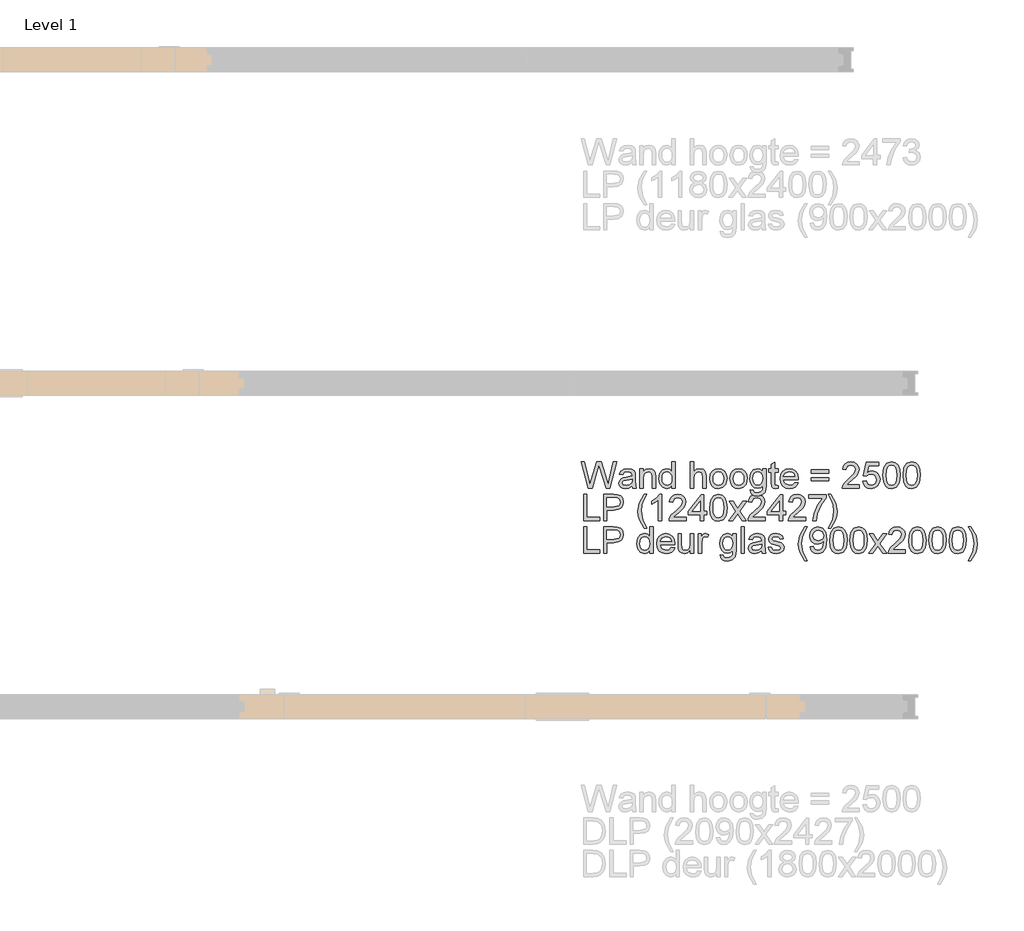
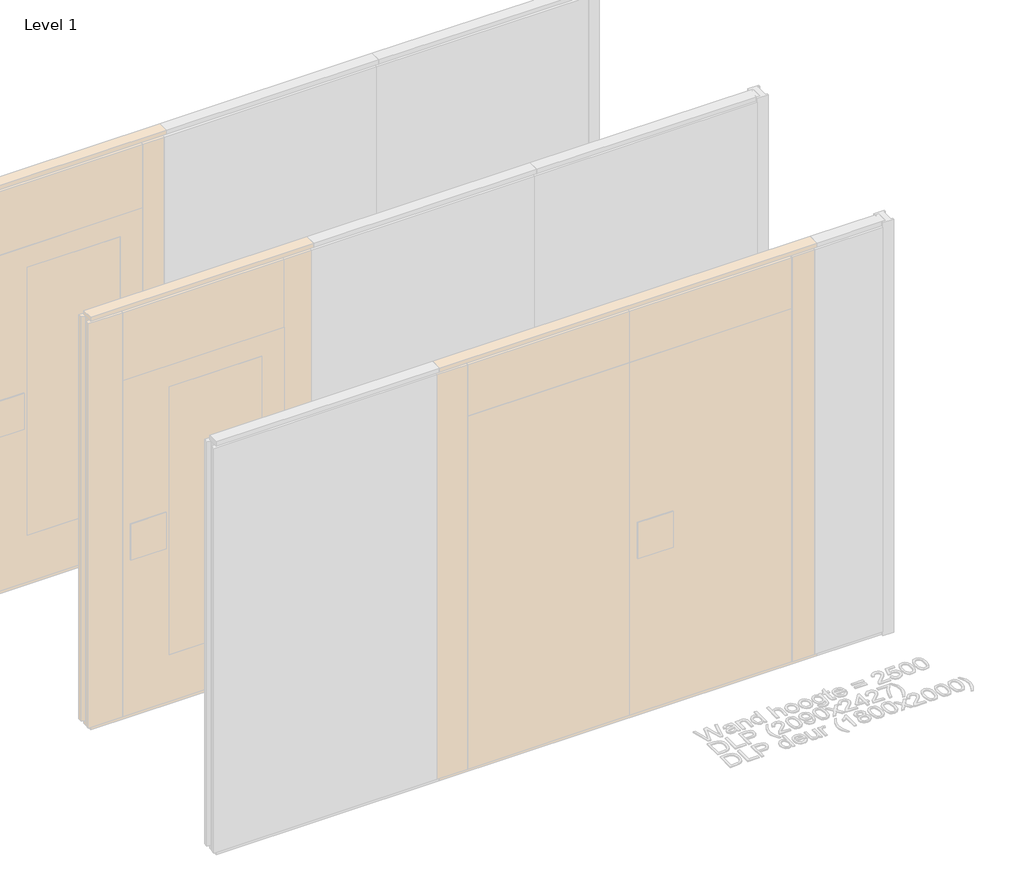
# One storey, part 12 of 17: 1 proxy.
"""IFC4 building model written with IfcOpenShell, lengths in millimetres."""

import ifcopenshell
import ifcopenshell.guid

model = None  # the IFC model being written
_history = None  # IfcOwnerHistory: only IFC2X3 demands one
_inside = {}  # id of a spatial element -> (the spatial element, [elements in it])
_under = {}  # id of a project, library or spatial element -> (it, [spatial elements below it])
_declared = {}  # id of a project -> (the project, [libraries it declares])
_typed = {}  # id of a type object -> (the type object, [elements of that type])
_made_of = {}  # id of a material, layer set ... -> (it, [elements and type objects made of it])


def new_model(schema):
    """Start an empty IFC model of exactly this schema.

    Asked for "IFC4X3", IfcOpenShell would pick the latest addendum, in which some entities
    have other attributes; the version numbers below select the first issue.
    IFC2X3 requires an IfcOwnerHistory on every rooted entity: one is made here for all.
    """
    global model, _history
    if schema == "IFC4X3":
        model = ifcopenshell.file(schema_version=(4, 3, 0, 0))
    else:
        model = ifcopenshell.file(schema=schema)
    _inside.clear()
    _under.clear()
    _declared.clear()
    _typed.clear()
    _made_of.clear()
    _history = None
    if model.schema == "IFC2X3":
        org = make("IfcOrganization", Name="unknown")
        user = make(
            "IfcPersonAndOrganization",
            ThePerson=make("IfcPerson", FamilyName="unknown"),
            TheOrganization=org,
        )
        app = make(
            "IfcApplication",
            ApplicationDeveloper=org,
            Version="unknown",
            ApplicationFullName="unknown",
            ApplicationIdentifier="unknown",
        )
        _history = make(
            "IfcOwnerHistory",
            OwningUser=user,
            OwningApplication=app,
            ChangeAction="ADDED",
            CreationDate=0,
        )
    return model


def make(cls, **values):
    """One entity of the class cls with the attributes given. An attribute that is None is left unset."""
    return model.create_entity(
        cls, **{name: value for name, value in values.items() if value is not None}
    )


def rooted(cls, **values):
    """An entity with a GlobalId (a new one), such as an element, a storey or a relation."""
    return make(cls, GlobalId=ifcopenshell.guid.new(), OwnerHistory=_history, **values)


def si_unit(unit_type, name, prefix=None):
    """IfcSIUnit, for example si_unit("LENGTHUNIT", "METRE", prefix="MILLI")."""
    return make("IfcSIUnit", UnitType=unit_type, Prefix=prefix, Name=name)


def assignment(units):
    """IfcUnitAssignment: the units of a project."""
    return None if units is None else make("IfcUnitAssignment", Units=units)


def point(xyz):
    """IfcCartesianPoint."""
    return None if xyz is None else make("IfcCartesianPoint", Coordinates=xyz)


def direction(xyz):
    """IfcDirection."""
    return None if xyz is None else make("IfcDirection", DirectionRatios=xyz)


def frame(location, z_axis=None, x_axis=None):
    """IfcAxis2Placement3D, a coordinate frame: its origin and axes. An axis left out is left unset."""
    return make(
        "IfcAxis2Placement3D",
        Location=point(location),
        Axis=direction(z_axis),
        RefDirection=direction(x_axis),
    )


def origin():
    """The frame at (0, 0, 0) with its axes left unset."""
    return frame((0.0, 0.0, 0.0))


def origin_with_axes():
    """The frame at (0, 0, 0) with the z axis (0, 0, 1) and the x axis (1, 0, 0) written out."""
    return frame((0.0, 0.0, 0.0), z_axis=(0.0, 0.0, 1.0), x_axis=(1.0, 0.0, 0.0))


def place(relative_to, where):
    """IfcLocalPlacement: puts the frame where relative to a parent placement (None: the world)."""
    return make(
        "IfcLocalPlacement", PlacementRelTo=relative_to, RelativePlacement=where
    )


def context(
    kind, dimensions, precision=None, world=None, true_north=None, identifier=None
):
    """IfcGeometricRepresentationContext, for example the 3D "Model" context."""
    return make(
        "IfcGeometricRepresentationContext",
        ContextIdentifier=identifier,
        ContextType=kind,
        CoordinateSpaceDimension=dimensions,
        Precision=precision,
        WorldCoordinateSystem=world,
        TrueNorth=true_north,
    )


def project(units=None, contexts=None):
    """IfcProject with its units and contexts."""
    return rooted(
        "IfcProject",
        Name="project",
        RepresentationContexts=contexts,
        UnitsInContext=assignment(units),
    )


def spatial(cls, under=None, at=None, **own):
    """A site, building, storey or space (cls), placed at a placement, below another one or the project."""
    s = rooted(cls, ObjectPlacement=at, **own)
    if under is not None:
        _under.setdefault(under.id(), (under, []))[1].append(s)
    return s


def polyline(points):
    """IfcPolyline through the points."""
    return make("IfcPolyline", Points=[point(p) for p in points])


def outline(outer, holes=None, kind="AREA"):
    """IfcArbitraryClosedProfileDef: a profile drawn as a closed curve; with holes, ...WithVoids."""
    if holes is None:
        return make("IfcArbitraryClosedProfileDef", ProfileType=kind, OuterCurve=outer)
    return make(
        "IfcArbitraryProfileDefWithVoids",
        ProfileType=kind,
        OuterCurve=outer,
        InnerCurves=holes,
    )


def extrude(swept, where, along, depth):
    """IfcExtrudedAreaSolid: the profile swept, set in the frame where, extruded along a direction by depth."""
    return make(
        "IfcExtrudedAreaSolid",
        SweptArea=swept,
        Position=where,
        ExtrudedDirection=direction(along),
        Depth=depth,
    )


def shape(context_of_items, identifier, shape_type, items):
    """IfcShapeRepresentation: the items that make up one representation, for example the "Body"."""
    return make(
        "IfcShapeRepresentation",
        ContextOfItems=context_of_items,
        RepresentationIdentifier=identifier,
        RepresentationType=shape_type,
        Items=items,
    )


def made_of(thing, what):
    """Note that an element or type object is made of a material, layer set ...; save() writes the relation."""
    if what is not None:
        _made_of.setdefault(what.id(), (what, []))[1].append(thing)
    return thing


def element(
    cls,
    number,
    at=None,
    inside=None,
    cuts=None,
    type_object=None,
    material=None,
    context=None,
    identifier="Body",
    shape_type=None,
    held_by="IfcProductDefinitionShape",
    body=None,
    shapes=None,
    **own,
):
    """One element of the class cls, such as IfcWall. Its Tag is "e" and its number.

    at: its placement. inside: the storey or other place that contains it. cuts: it is an
    opening in that element (IfcRelVoidsElement). A single representation is given by context,
    identifier, shape_type and body (its items); several are given by shapes. held_by: the class
    of the entity that holds the representations. save() writes the other relations.
    """
    e = rooted(cls, Tag="e%d" % number, ObjectPlacement=at, **own)
    if body is not None:
        shapes = [shape(context, identifier, shape_type, body)]
    if shapes is not None:
        e.Representation = make(held_by, Representations=shapes)
    if inside is not None:
        _inside.setdefault(inside.id(), (inside, []))[1].append(e)
    if cuts is not None:
        rooted(
            "IfcRelVoidsElement", RelatingBuildingElement=cuts, RelatedOpeningElement=e
        )
    if type_object is not None:
        _typed.setdefault(type_object.id(), (type_object, []))[1].append(e)
    return made_of(e, material)


def aggregate(whole, parts):
    """IfcRelAggregates: a whole, such as a stair, and the parts it consists of."""
    return rooted("IfcRelAggregates", RelatingObject=whole, RelatedObjects=parts)


def save(model, path):
    """Write the relations noted so far, then the file.

    IfcRelAggregates (storeys below a building ...), IfcRelContainedInSpatialStructure (elements
    in a storey), IfcRelDefinesByType, IfcRelAssociatesMaterial and IfcRelDeclares: one each for
    every whole, place, type object, material and project.
    """
    for whole, parts in _under.values():
        aggregate(whole, parts)
    for where, things in _inside.values():
        rooted(
            "IfcRelContainedInSpatialStructure",
            RelatedElements=things,
            RelatingStructure=where,
        )
    for kind, things in _typed.values():
        rooted("IfcRelDefinesByType", RelatedObjects=things, RelatingType=kind)
    for what, things in _made_of.values():
        rooted("IfcRelAssociatesMaterial", RelatedObjects=things, RelatingMaterial=what)
    for by, libraries in _declared.values():
        rooted("IfcRelDeclares", RelatingContext=by, RelatedDefinitions=libraries)
    model.write(path)


model = new_model("IFC4")

# Units and contexts
model_context = context("Model", 3, world=origin())
ifc_project = project(units=[si_unit("LENGTHUNIT", "METRE", prefix="MILLI")], contexts=[model_context])

# Site, building, storey
site = spatial("IfcSite", under=ifc_project)
building = spatial("IfcBuilding", under=site)
storey = spatial("IfcBuildingStorey", under=building, Name="Level 1", Elevation=0.0)

# Proxy
placement = place(None, origin())
element("IfcBuildingElementProxy", 1, Name="100 mm", ObjectType="100 mm", at=placement, inside=storey, context=model_context, shape_type="SweptSolid", body=[
    extrude(outline(polyline([(-2181.5016279, 492.9102169), (-2208.3525894, 591.3717554), (-2195.6602817, 591.3717554), (-2180.0833587, 526.6602169), (-2175.2756664, 506.6842554), (-2170.1314356, 524.3525246), (-2150.6122048, 591.3717554), (-2132.3189356, 591.3717554), (-2118.1362433, 542.7900246), (-2107.5833587, 506.6842554), (-2102.9198971, 526.0832938), (-2087.1987433, 591.3717554), (-2074.5064356, 591.3717554), (-2101.3814356, 492.9102169), (-2114.530474, 492.9102169), (-2138.1362433, 568.8717554), (-2141.4295125, 579.4727169), (-2145.1314356, 566.7082938), (-2166.6458587, 492.9102169), (-2181.5016279, 492.9102169)])), origin_with_axes(), (0.0, 0.0, 1.0), 5.0),
    extrude(outline(polyline([(-2017.5833587, 502.1409861), (-2029.5184548, 493.79964), (-2042.703551, 491.3717554), (-2052.9890077, 492.8320919), (-2060.5761471, 497.2131015), (-2065.2546327, 503.8657457), (-2066.8141279, 512.1409861), (-2064.4583587, 521.8765631), (-2058.2684548, 528.9438707), (-2049.6506664, 532.9823323), (-2039.0016279, 534.8332938), (-2017.655474, 539.0640631), (-2017.5833587, 541.8044477), (-2020.9727817, 550.8909861), (-2034.578551, 554.4486784), (-2047.030474, 552.08089), (-2052.967974, 543.6794477), (-2065.2756664, 545.2179092), (-2059.9511471, 557.23714), (-2049.2299933, 564.2804092), (-2032.9920125, 566.7563707), (-2018.0761471, 564.5688707), (-2009.6506664, 559.0760823), (-2005.8766279, 550.7227169), (-2005.2756664, 539.9534861), (-2005.2756664, 524.6409861), (-2004.6506664, 503.2587746), (-2002.1987433, 492.9102169), (-2014.5064356, 492.9102169), (-2017.5833587, 502.1409861)]), holes=[polyline([(-2017.5833587, 526.7563707), (-2037.4391279, 522.9823323), (-2048.0280702, 520.98714), (-2052.8237433, 517.7419477), (-2054.5064356, 513.0063707), (-2050.8405702, 506.3477169), (-2040.0833587, 503.6794477), (-2027.6314356, 506.6241592), (-2019.6025894, 513.7515631), (-2017.655474, 523.2707938), (-2017.5833587, 526.7563707)])]), origin_with_axes(), (0.0, 0.0, 1.0), 5.0),
    extrude(outline(polyline([(-1988.3525894, 492.9102169), (-1988.3525894, 565.2179092), (-1976.0448971, 565.2179092), (-1976.0448971, 555.1217554), (-1966.6338394, 563.8477169), (-1953.7852817, 566.7563707), (-1942.1626856, 564.4126207), (-1934.2299933, 558.2587746), (-1930.5400894, 549.2082938), (-1929.891051, 537.3092554), (-1929.891051, 492.9102169), (-1942.1987433, 492.9102169), (-1942.1987433, 535.6506015), (-1943.6170125, 546.5400246), (-1948.6290317, 552.2972361), (-1957.078551, 554.4486784), (-1970.4319164, 549.6169477), (-1974.6416519, 542.6157457), (-1976.0448971, 531.2756015), (-1976.0448971, 492.9102169), (-1988.3525894, 492.9102169)])), origin_with_axes(), (0.0, 0.0, 1.0), 5.0),
    extrude(outline(polyline([(-1868.3525894, 492.9102169), (-1868.3525894, 504.5207938), (-1876.4956183, 494.659015), (-1887.7516279, 491.3717554), (-1902.9920125, 496.1313707), (-1913.7612433, 509.4126207), (-1917.5833587, 528.9919477), (-1914.061724, 548.5832938), (-1903.5088394, 562.0688707), (-1887.7997048, 566.7563707), (-1876.453551, 563.4030054), (-1868.3525894, 554.6890631), (-1868.3525894, 591.3717554), (-1856.0448971, 591.3717554), (-1856.0448971, 492.9102169), (-1868.3525894, 492.9102169)]), holes=[polyline([(-1905.2756664, 529.0400246), (-1903.8874452, 517.9072121), (-1899.7227817, 509.9895438), (-1893.671099, 505.2569717), (-1886.6218202, 503.6794477), (-1879.5755462, 505.1848563), (-1873.6771087, 509.7010823), (-1869.6837192, 517.3122602), (-1868.3525894, 528.1025246), (-1869.7077577, 539.8993996), (-1873.7732625, 548.0784861), (-1879.8219404, 552.8561304), (-1887.1266279, 554.4486784), (-1894.2480221, 552.9192313), (-1900.0833587, 548.33089), (-1903.9775894, 540.4492794), (-1905.2756664, 529.0400246)])]), origin_with_axes(), (0.0, 0.0, 1.0), 5.0),
    extrude(outline(polyline([(-1799.1218202, 492.9102169), (-1799.1218202, 591.3717554), (-1786.8141279, 591.3717554), (-1786.8141279, 555.1698323), (-1777.2167721, 563.8597361), (-1765.3958587, 566.7563707), (-1751.5737433, 563.5953131), (-1743.1843202, 554.8573323), (-1740.6602817, 538.6794477), (-1740.6602817, 492.9102169), (-1752.967974, 492.9102169), (-1752.967974, 537.4054092), (-1756.8862433, 550.3861784), (-1767.9920125, 554.4486784), (-1778.0761471, 551.7082938), (-1784.8069164, 544.2804092), (-1786.8141279, 531.3236784), (-1786.8141279, 492.9102169), (-1799.1218202, 492.9102169)])), origin_with_axes(), (0.0, 0.0, 1.0), 5.0),
    extrude(outline(polyline([(-1726.8141279, 529.0640631), (-1724.1518683, 546.4979573), (-1716.1650894, 558.7515631), (-1706.297301, 564.7551688), (-1694.4823971, 566.7563707), (-1681.5527096, 564.3194717), (-1671.2251856, 557.0087746), (-1664.4553539, 545.4012025), (-1662.1987433, 530.0736784), (-1666.1891279, 508.17464), (-1677.811724, 495.7828131), (-1694.4823971, 491.3717554), (-1707.5683346, 493.79964), (-1717.8838394, 501.0832938), (-1724.5815558, 512.9342554), (-1726.8141279, 529.0640631)]), holes=[polyline([(-1714.5064356, 529.0881015), (-1713.0821567, 517.9492794), (-1708.8093202, 510.0135823), (-1702.3790317, 505.2629813), (-1694.4823971, 503.6794477), (-1686.6218202, 505.2719957), (-1680.203551, 510.04964), (-1675.9307144, 518.0905054), (-1674.5064356, 529.4727169), (-1675.9397289, 540.2870198), (-1680.2396087, 548.1145438), (-1686.6668923, 552.8651448), (-1694.4823971, 554.4486784), (-1702.3790317, 552.8711544), (-1708.8093202, 548.1385823), (-1713.0821567, 540.220914), (-1714.5064356, 529.0881015)])]), origin_with_axes(), (0.0, 0.0, 1.0), 5.0),
    extrude(outline(polyline([(-1651.4295125, 529.0640631), (-1648.7672529, 546.4979573), (-1640.780474, 558.7515631), (-1630.9126856, 564.7551688), (-1619.0977817, 566.7563707), (-1606.1680942, 564.3194717), (-1595.8405702, 557.0087746), (-1589.0707385, 545.4012025), (-1586.8141279, 530.0736784), (-1590.8045125, 508.17464), (-1602.4271087, 495.7828131), (-1619.0977817, 491.3717554), (-1632.1837192, 493.79964), (-1642.499224, 501.0832938), (-1649.1969404, 512.9342554), (-1651.4295125, 529.0640631)]), holes=[polyline([(-1639.1218202, 529.0881015), (-1637.6975414, 517.9492794), (-1633.4247048, 510.0135823), (-1626.9944164, 505.2629813), (-1619.0977817, 503.6794477), (-1611.2372048, 505.2719957), (-1604.8189356, 510.04964), (-1600.546099, 518.0905054), (-1599.1218202, 529.4727169), (-1600.5551135, 540.2870198), (-1604.8549933, 548.1145438), (-1611.2822769, 552.8651448), (-1619.0977817, 554.4486784), (-1626.9944164, 552.8711544), (-1633.4247048, 548.1385823), (-1637.6975414, 540.220914), (-1639.1218202, 529.0881015)])]), origin_with_axes(), (0.0, 0.0, 1.0), 5.0),
    extrude(outline(polyline([(-1576.0448971, 486.7563707), (-1563.7372048, 485.2179092), (-1559.7468202, 478.7275246), (-1547.7997048, 475.98714), (-1535.203551, 479.0881015), (-1529.1939356, 487.7900246), (-1528.3525894, 502.1409861), (-1537.0184548, 495.2179092), (-1547.5833587, 492.9102169), (-1560.2726615, 495.596515), (-1569.734801, 503.6554092), (-1575.6212192, 515.4703131), (-1577.5833587, 529.42464), (-1574.061724, 548.4991592), (-1563.8694164, 561.9967554), (-1548.1843202, 566.7563707), (-1537.2047529, 564.0640631), (-1528.3525894, 555.98714), (-1528.3525894, 565.2179092), (-1516.0448971, 565.2179092), (-1516.0448971, 502.7900246), (-1519.4102817, 478.8837746), (-1530.0713394, 467.7659861), (-1548.0400894, 463.6794477), (-1559.4914115, 465.1187506), (-1568.5088394, 469.4366592), (-1574.2930942, 476.6451929), (-1576.0448971, 486.7563707)]), holes=[polyline([(-1565.2756664, 530.2659861), (-1563.9625654, 518.9769236), (-1560.0232625, 511.2155054), (-1554.1007865, 506.7173082), (-1546.8381664, 505.2179092), (-1539.6296327, 506.7082938), (-1533.6771087, 511.1794477), (-1529.6837192, 518.8417073), (-1528.3525894, 529.9054092), (-1529.7227817, 540.5754813), (-1533.8333587, 548.2587746), (-1539.8730221, 552.9012025), (-1547.030474, 554.4486784), (-1554.0587192, 552.9252409), (-1559.9511471, 548.3549284), (-1563.9445365, 540.7858179), (-1565.2756664, 530.2659861)])]), origin_with_axes(), (0.0, 0.0, 1.0), 5.0),
    extrude(outline(polyline([(-1471.4295125, 503.17464), (-1469.891051, 492.54964), (-1479.0977817, 491.3717554), (-1489.4102817, 493.4150246), (-1494.5545125, 498.7756015), (-1496.0448971, 512.7419477), (-1496.0448971, 552.9102169), (-1505.2756664, 552.9102169), (-1505.2756664, 565.2179092), (-1496.0448971, 565.2179092), (-1496.0448971, 582.7900246), (-1483.7372048, 590.0256015), (-1483.7372048, 565.2179092), (-1471.4295125, 565.2179092), (-1471.4295125, 552.9102169), (-1483.7372048, 552.9102169), (-1483.7372048, 513.1025246), (-1483.0881664, 506.7563707), (-1480.984801, 504.5087746), (-1476.7900894, 503.6794477), (-1471.4295125, 503.17464)])), origin_with_axes(), (0.0, 0.0, 1.0), 5.0),
    extrude(outline(polyline([(-1408.4968202, 514.4486784), (-1396.4295125, 512.9102169), (-1400.7774692, 503.8176688), (-1407.7155702, 497.0207938), (-1417.0875654, 492.784015), (-1428.7372048, 491.3717554), (-1443.1783106, 493.8086544), (-1454.2900894, 501.1193515), (-1461.375426, 512.8290871), (-1463.7372048, 528.4631015), (-1461.3513875, 544.6229573), (-1454.1939356, 556.7082938), (-1443.2323971, 564.2443515), (-1429.4343202, 566.7563707), (-1416.0659308, 564.2503611), (-1405.3838394, 556.7323323), (-1398.3796327, 544.6710342), (-1396.0448971, 528.5352169), (-1396.1170125, 525.2179092), (-1451.4295125, 525.2179092), (-1449.2991039, 516.0051688), (-1444.3501856, 509.2323323), (-1428.4968202, 503.6794477), (-1416.4295125, 506.2515631), (-1408.4968202, 514.4486784)]), holes=[polyline([(-1451.4295125, 537.5256015), (-1408.3525894, 537.5256015), (-1413.280474, 548.6794477), (-1420.4559548, 553.0063707), (-1429.4823971, 554.4486784), (-1444.6386471, 549.8453131), (-1451.4295125, 537.5256015)])]), origin_with_axes(), (0.0, 0.0, 1.0), 5.0),
    extrude(outline(polyline([(-1282.1987433, 549.8332938), (-1346.8141279, 549.8332938), (-1346.8141279, 562.1409861), (-1282.1987433, 562.1409861), (-1282.1987433, 549.8332938)])), origin_with_axes(), (0.0, 0.0, 1.0), 5.0),
    extrude(outline(polyline([(-1282.1987433, 520.6025246), (-1346.8141279, 520.6025246), (-1346.8141279, 532.9102169), (-1282.1987433, 532.9102169), (-1282.1987433, 520.6025246)])), origin_with_axes(), (0.0, 0.0, 1.0), 5.0),
    extrude(outline(polyline([(-1166.8141279, 505.2179092), (-1166.8141279, 492.9102169), (-1231.4295125, 492.9102169), (-1230.1073971, 501.3957938), (-1222.6314356, 514.4606977), (-1207.2227817, 528.7275246), (-1185.9727817, 549.2323323), (-1180.6602817, 563.17464), (-1185.672301, 574.4606977), (-1198.7612433, 579.0640631), (-1212.4030702, 574.5688707), (-1217.5833587, 562.1409861), (-1229.891051, 563.6794477), (-1226.9072769, 575.5844957), (-1220.4559548, 584.2804092), (-1210.8736231, 589.5989188), (-1198.4968202, 591.3717554), (-1186.0298731, 589.4006015), (-1176.4655702, 583.48714), (-1170.3808346, 574.6530054), (-1168.3525894, 563.9198323), (-1170.5400894, 552.2491592), (-1177.811724, 540.1818515), (-1195.4439356, 523.3188707), (-1209.6025894, 511.4799284), (-1215.155474, 505.2179092), (-1166.8141279, 505.2179092)])), origin_with_axes(), (0.0, 0.0, 1.0), 5.0),
    extrude(outline(polyline([(-1154.5064356, 519.0640631), (-1142.1987433, 520.6025246), (-1135.9968202, 507.9222361), (-1123.1362433, 503.6794477), (-1114.3141279, 505.1548082), (-1107.703551, 509.58089), (-1103.5749452, 516.4468756), (-1102.1987433, 525.2419477), (-1107.3549933, 539.8573323), (-1113.8303539, 543.877765), (-1122.9439356, 545.2179092), (-1133.749224, 543.0784861), (-1140.6602817, 537.5256015), (-1152.967974, 539.0640631), (-1142.1987433, 589.8332938), (-1094.5064356, 589.8332938), (-1094.5064356, 577.5256015), (-1132.2468202, 577.5256015), (-1137.5112433, 550.4102169), (-1128.719176, 555.7467554), (-1119.5064356, 557.5256015), (-1108.0070365, 555.3200727), (-1098.4607625, 548.7034861), (-1092.0334789, 538.6193515), (-1089.891051, 526.0111784), (-1091.8201375, 513.7034861), (-1097.6073971, 503.17464), (-1108.6891279, 494.3224765), (-1123.1843202, 491.3717554), (-1135.2726615, 493.267789), (-1144.9030702, 498.95589), (-1151.5046327, 507.7750006), (-1154.5064356, 519.0640631)])), origin_with_axes(), (0.0, 0.0, 1.0), 5.0),
    extrude(outline(polyline([(-1079.1218202, 541.3477169), (-1075.5040317, 569.6770438), (-1064.7588394, 586.0111784), (-1046.8141279, 591.3717554), (-1032.4391279, 588.1986784), (-1022.5112433, 579.0520438), (-1016.7420125, 564.4847361), (-1014.5064356, 541.3477169), (-1018.0881664, 513.1385823), (-1028.797301, 496.76839), (-1046.8141279, 491.3717554), (-1059.6025894, 493.7155054), (-1069.3141279, 500.7467554), (-1076.6698971, 517.3993996), (-1079.1218202, 541.3477169)]), holes=[polyline([(-1066.8141279, 541.3717554), (-1065.3718202, 522.0117794), (-1061.0448971, 510.8068515), (-1054.6025894, 505.4612986), (-1046.8141279, 503.6794477), (-1039.0256664, 505.4673082), (-1032.5833587, 510.83089), (-1028.2564356, 522.0418275), (-1026.8141279, 541.3717554), (-1028.2083587, 560.2960342), (-1032.391051, 571.5881015), (-1038.8213394, 577.1950727), (-1046.9583587, 579.0640631), (-1054.6626856, 577.4174284), (-1060.8525894, 572.4775246), (-1065.3237433, 560.4823323), (-1066.8141279, 541.3717554)])]), origin_with_axes(), (0.0, 0.0, 1.0), 5.0),
    extrude(outline(polyline([(-1003.7372048, 541.3477169), (-1000.1194164, 569.6770438), (-989.374224, 586.0111784), (-971.4295125, 591.3717554), (-957.0545125, 588.1986784), (-947.1266279, 579.0520438), (-941.3573971, 564.4847361), (-939.1218202, 541.3477169), (-942.703551, 513.1385823), (-953.4126856, 496.76839), (-971.4295125, 491.3717554), (-984.217974, 493.7155054), (-993.9295125, 500.7467554), (-1001.2852817, 517.3993996), (-1003.7372048, 541.3477169)]), holes=[polyline([(-991.4295125, 541.3717554), (-989.9872048, 522.0117794), (-985.6602817, 510.8068515), (-979.217974, 505.4612986), (-971.4295125, 503.6794477), (-963.641051, 505.4673082), (-957.1987433, 510.83089), (-952.8718202, 522.0418275), (-951.4295125, 541.3717554), (-952.8237433, 560.2960342), (-957.0064356, 571.5881015), (-963.436724, 577.1950727), (-971.5737433, 579.0640631), (-979.2780702, 577.4174284), (-985.467974, 572.4775246), (-989.9391279, 560.4823323), (-991.4295125, 541.3717554)])]), origin_with_axes(), (0.0, 0.0, 1.0), 5.0),
    extrude(outline(polyline([(-2199.1218202, 371.3717554), (-2199.1218202, 469.8332938), (-2186.8141279, 469.8332938), (-2186.8141279, 383.6794477), (-2137.5833587, 383.6794477), (-2137.5833587, 371.3717554), (-2199.1218202, 371.3717554)])), origin_with_axes(), (0.0, 0.0, 1.0), 5.0),
    extrude(outline(polyline([(-2123.7372048, 371.3717554), (-2123.7372048, 469.8332938), (-2087.2468202, 469.8332938), (-2072.5352817, 468.8957938), (-2060.5761471, 464.2924284), (-2052.8237433, 454.7731977), (-2049.891051, 441.3477169), (-2051.8712192, 429.7431496), (-2057.811724, 420.0736784), (-2068.9204981, 413.5472361), (-2086.405474, 411.3717554), (-2111.4295125, 411.3717554), (-2111.4295125, 371.3717554), (-2123.7372048, 371.3717554)]), holes=[polyline([(-2111.4295125, 423.6794477), (-2085.6843202, 423.6794477), (-2067.5593202, 428.1986784), (-2063.5388875, 433.6373804), (-2062.1987433, 440.9150246), (-2065.359801, 451.1073323), (-2073.6650894, 456.6842554), (-2085.9727817, 457.5256015), (-2111.4295125, 457.5256015), (-2111.4295125, 423.6794477)])]), origin_with_axes(), (0.0, 0.0, 1.0), 5.0),
    extrude(outline(polyline([(-1971.4295125, 343.6794477), (-1988.905474, 372.54964), (-1994.2600414, 389.3885823), (-1996.0448971, 406.8284861), (-1990.7083587, 436.7563707), (-1971.4295125, 469.8332938), (-1962.1987433, 469.8332938), (-1973.7131664, 450.3381015), (-1980.6362433, 431.4438707), (-1983.7372048, 406.7563707), (-1978.3525894, 375.20589), (-1962.1987433, 343.6794477), (-1971.4295125, 343.6794477)])), origin_with_axes(), (0.0, 0.0, 1.0), 5.0),
    extrude(outline(polyline([(-1906.8141279, 371.3717554), (-1919.1218202, 371.3717554), (-1919.1218202, 448.1025246), (-1930.780474, 439.7972361), (-1943.7372048, 433.5832938), (-1943.7372048, 445.2179092), (-1925.6963394, 456.7323323), (-1914.7468202, 469.8332938), (-1906.8141279, 469.8332938), (-1906.8141279, 371.3717554)])), origin_with_axes(), (0.0, 0.0, 1.0), 5.0),
    extrude(outline(polyline([(-1814.5064356, 383.6794477), (-1814.5064356, 371.3717554), (-1879.1218202, 371.3717554), (-1877.7997048, 379.8573323), (-1870.3237433, 392.9222361), (-1854.9150894, 407.1890631), (-1833.6650894, 427.6938707), (-1828.3525894, 441.6361784), (-1833.3646087, 452.9222361), (-1846.453551, 457.5256015), (-1860.0953779, 453.0304092), (-1865.2756664, 440.6025246), (-1877.5833587, 442.1409861), (-1874.5995846, 454.0460342), (-1868.1482625, 462.7419477), (-1858.5659308, 468.0604573), (-1846.1891279, 469.8332938), (-1833.7221808, 467.86214), (-1824.1578779, 461.9486784), (-1818.0731423, 453.1145438), (-1816.0448971, 442.3813707), (-1818.2323971, 430.7106977), (-1825.5040317, 418.64339), (-1843.1362433, 401.7804092), (-1857.2948971, 389.9414669), (-1862.8477817, 383.6794477), (-1814.5064356, 383.6794477)])), origin_with_axes(), (0.0, 0.0, 1.0), 5.0),
    extrude(outline(polyline([(-1762.1987433, 371.3717554), (-1762.1987433, 394.4486784), (-1806.8141279, 394.4486784), (-1806.8141279, 406.7563707), (-1759.1218202, 468.2948323), (-1749.891051, 468.2948323), (-1749.891051, 406.7563707), (-1737.5833587, 406.7563707), (-1737.5833587, 394.4486784), (-1749.891051, 394.4486784), (-1749.891051, 371.3717554), (-1762.1987433, 371.3717554)]), holes=[polyline([(-1762.1987433, 406.7563707), (-1762.1987433, 444.7852169), (-1791.6698971, 406.7563707), (-1762.1987433, 406.7563707)])]), origin_with_axes(), (0.0, 0.0, 1.0), 5.0),
    extrude(outline(polyline([(-1726.8141279, 419.8092554), (-1723.1963394, 448.1385823), (-1712.4511471, 464.4727169), (-1694.5064356, 469.8332938), (-1680.1314356, 466.6602169), (-1670.203551, 457.5135823), (-1664.4343202, 442.9462746), (-1662.1987433, 419.8092554), (-1665.780474, 391.6001207), (-1676.4896087, 375.2299284), (-1694.5064356, 369.8332938), (-1707.2948971, 372.1770438), (-1717.0064356, 379.2082938), (-1724.3622048, 395.8609381), (-1726.8141279, 419.8092554)]), holes=[polyline([(-1714.5064356, 419.8332938), (-1713.0641279, 400.4733179), (-1708.7372048, 389.26839), (-1702.2948971, 383.9228371), (-1694.5064356, 382.1409861), (-1686.717974, 383.9288467), (-1680.2756664, 389.2924284), (-1675.9487433, 400.5033659), (-1674.5064356, 419.8332938), (-1675.9006664, 438.7575727), (-1680.0833587, 450.04964), (-1686.5136471, 455.6566111), (-1694.6506664, 457.5256015), (-1702.3549933, 455.8789669), (-1708.5448971, 450.9390631), (-1713.016051, 438.9438707), (-1714.5064356, 419.8332938)])]), origin_with_axes(), (0.0, 0.0, 1.0), 5.0),
    extrude(outline(polyline([(-1656.0448971, 371.3717554), (-1629.7468202, 407.7179092), (-1654.5064356, 443.6794477), (-1639.6987433, 443.6794477), (-1627.7516279, 426.3717554), (-1622.1747048, 418.1986784), (-1617.342974, 424.8813707), (-1603.7372048, 443.6794477), (-1588.9295125, 443.6794477), (-1614.9391279, 407.7179092), (-1589.891051, 371.3717554), (-1604.6987433, 371.3717554), (-1619.7708587, 393.2227169), (-1622.5352817, 397.2131015), (-1641.2372048, 371.3717554), (-1656.0448971, 371.3717554)])), origin_with_axes(), (0.0, 0.0, 1.0), 5.0),
    extrude(outline(polyline([(-1519.1218202, 383.6794477), (-1519.1218202, 371.3717554), (-1583.7372048, 371.3717554), (-1582.4150894, 379.8573323), (-1574.9391279, 392.9222361), (-1559.530474, 407.1890631), (-1538.280474, 427.6938707), (-1532.967974, 441.6361784), (-1537.9799933, 452.9222361), (-1551.0689356, 457.5256015), (-1564.7107625, 453.0304092), (-1569.891051, 440.6025246), (-1582.1987433, 442.1409861), (-1579.2149692, 454.0460342), (-1572.7636471, 462.7419477), (-1563.1813154, 468.0604573), (-1550.8045125, 469.8332938), (-1538.3375654, 467.86214), (-1528.7732625, 461.9486784), (-1522.6885269, 453.1145438), (-1520.6602817, 442.3813707), (-1522.8477817, 430.7106977), (-1530.1194164, 418.64339), (-1547.7516279, 401.7804092), (-1561.9102817, 389.9414669), (-1567.4631664, 383.6794477), (-1519.1218202, 383.6794477)])), origin_with_axes(), (0.0, 0.0, 1.0), 5.0),
    extrude(outline(polyline([(-1466.8141279, 371.3717554), (-1466.8141279, 394.4486784), (-1511.4295125, 394.4486784), (-1511.4295125, 406.7563707), (-1463.7372048, 468.2948323), (-1454.5064356, 468.2948323), (-1454.5064356, 406.7563707), (-1442.1987433, 406.7563707), (-1442.1987433, 394.4486784), (-1454.5064356, 394.4486784), (-1454.5064356, 371.3717554), (-1466.8141279, 371.3717554)]), holes=[polyline([(-1466.8141279, 406.7563707), (-1466.8141279, 444.7852169), (-1496.2852817, 406.7563707), (-1466.8141279, 406.7563707)])]), origin_with_axes(), (0.0, 0.0, 1.0), 5.0),
    extrude(outline(polyline([(-1368.3525894, 383.6794477), (-1368.3525894, 371.3717554), (-1432.967974, 371.3717554), (-1431.6458587, 379.8573323), (-1424.1698971, 392.9222361), (-1408.7612433, 407.1890631), (-1387.5112433, 427.6938707), (-1382.1987433, 441.6361784), (-1387.2107625, 452.9222361), (-1400.2997048, 457.5256015), (-1413.9415317, 453.0304092), (-1419.1218202, 440.6025246), (-1431.4295125, 442.1409861), (-1428.4457385, 454.0460342), (-1421.9944164, 462.7419477), (-1412.4120846, 468.0604573), (-1400.0352817, 469.8332938), (-1387.5683346, 467.86214), (-1378.0040317, 461.9486784), (-1371.9192962, 453.1145438), (-1369.891051, 442.3813707), (-1372.078551, 430.7106977), (-1379.3501856, 418.64339), (-1396.9823971, 401.7804092), (-1411.141051, 389.9414669), (-1416.6939356, 383.6794477), (-1368.3525894, 383.6794477)])), origin_with_axes(), (0.0, 0.0, 1.0), 5.0),
    extrude(outline(polyline([(-1356.0448971, 455.98714), (-1356.0448971, 468.2948323), (-1291.4295125, 468.2948323), (-1291.4295125, 458.3429092), (-1309.7588394, 431.8645438), (-1323.7852817, 398.1265631), (-1328.3525894, 371.3717554), (-1340.6602817, 371.3717554), (-1335.7684548, 399.1361784), (-1322.342974, 430.51839), (-1303.7372048, 455.98714), (-1356.0448971, 455.98714)])), origin_with_axes(), (0.0, 0.0, 1.0), 5.0),
    extrude(outline(polyline([(-1274.5064356, 343.6794477), (-1283.7372048, 343.6794477), (-1267.5833587, 375.20589), (-1262.1987433, 406.7563707), (-1265.2997048, 431.2275246), (-1272.1506664, 450.1457938), (-1283.7372048, 469.8332938), (-1274.5064356, 469.8332938), (-1255.2275894, 436.7563707), (-1249.891051, 406.8284861), (-1251.6849212, 389.3885823), (-1257.0665317, 372.54964), (-1274.5064356, 343.6794477)])), origin_with_axes(), (0.0, 0.0, 1.0), 5.0),
    extrude(outline(polyline([(-2199.1218202, 249.8332938), (-2199.1218202, 348.2948323), (-2186.8141279, 348.2948323), (-2186.8141279, 262.1409861), (-2137.5833587, 262.1409861), (-2137.5833587, 249.8332938), (-2199.1218202, 249.8332938)])), origin_with_axes(), (0.0, 0.0, 1.0), 5.0),
    extrude(outline(polyline([(-2123.7372048, 249.8332938), (-2123.7372048, 348.2948323), (-2087.2468202, 348.2948323), (-2072.5352817, 347.3573323), (-2060.5761471, 342.7539669), (-2052.8237433, 333.2347361), (-2049.891051, 319.8092554), (-2051.8712192, 308.2046881), (-2057.811724, 298.5352169), (-2068.9204981, 292.0087746), (-2086.405474, 289.8332938), (-2111.4295125, 289.8332938), (-2111.4295125, 249.8332938), (-2123.7372048, 249.8332938)]), holes=[polyline([(-2111.4295125, 302.1409861), (-2085.6843202, 302.1409861), (-2067.5593202, 306.6602169), (-2063.5388875, 312.0989188), (-2062.1987433, 319.3765631), (-2065.359801, 329.5688707), (-2073.6650894, 335.1457938), (-2085.9727817, 335.98714), (-2111.4295125, 335.98714), (-2111.4295125, 302.1409861)])]), origin_with_axes(), (0.0, 0.0, 1.0), 5.0),
    extrude(outline(polyline([(-1951.4295125, 249.8332938), (-1951.4295125, 261.4438707), (-1959.5725414, 251.5820919), (-1970.828551, 248.2948323), (-1986.0689356, 253.0544477), (-1996.8381664, 266.3356977), (-2000.6602817, 285.9150246), (-1997.1386471, 305.5063707), (-1986.5857625, 318.9919477), (-1970.8766279, 323.6794477), (-1959.530474, 320.3260823), (-1951.4295125, 311.61214), (-1951.4295125, 348.2948323), (-1939.1218202, 348.2948323), (-1939.1218202, 249.8332938), (-1951.4295125, 249.8332938)]), holes=[polyline([(-1988.3525894, 285.9631015), (-1986.9643683, 274.830289), (-1982.7997048, 266.9126207), (-1976.7480221, 262.1800486), (-1969.6987433, 260.6025246), (-1962.6524692, 262.1079332), (-1956.7540317, 266.6241592), (-1952.7606423, 274.2353371), (-1951.4295125, 285.0256015), (-1952.7846808, 296.8224765), (-1956.8501856, 305.0015631), (-1962.8988635, 309.7792073), (-1970.203551, 311.3717554), (-1977.3249452, 309.8423082), (-1983.1602817, 305.2539669), (-1987.0545125, 297.3723563), (-1988.3525894, 285.9631015)])]), origin_with_axes(), (0.0, 0.0, 1.0), 5.0),
    extrude(outline(polyline([(-1870.0352817, 271.3717554), (-1857.967974, 269.8332938), (-1862.3159308, 260.7407457), (-1869.2540317, 253.9438707), (-1878.6260269, 249.7070919), (-1890.2756664, 248.2948323), (-1904.7167721, 250.7317313), (-1915.828551, 258.0424284), (-1922.9138875, 269.752164), (-1925.2756664, 285.3861784), (-1922.889849, 301.5460342), (-1915.7323971, 313.6313707), (-1904.7708587, 321.1674284), (-1890.9727817, 323.6794477), (-1877.6043923, 321.1734381), (-1866.922301, 313.6554092), (-1859.9180942, 301.5941111), (-1857.5833587, 285.4582938), (-1857.655474, 282.1409861), (-1912.967974, 282.1409861), (-1910.8375654, 272.9282457), (-1905.8886471, 266.1554092), (-1890.0352817, 260.6025246), (-1877.967974, 263.17464), (-1870.0352817, 271.3717554)]), holes=[polyline([(-1912.967974, 294.4486784), (-1869.891051, 294.4486784), (-1874.8189356, 305.6025246), (-1881.9944164, 309.9294477), (-1891.0208587, 311.3717554), (-1906.1771087, 306.76839), (-1912.967974, 294.4486784)])]), origin_with_axes(), (0.0, 0.0, 1.0), 5.0),
    extrude(outline(polyline([(-1799.1218202, 249.8332938), (-1799.1218202, 262.2611784), (-1808.7612433, 251.7864188), (-1821.3333587, 248.2948323), (-1832.9078779, 250.7467554), (-1840.8886471, 256.9006015), (-1844.5545125, 265.9631015), (-1845.2756664, 277.4054092), (-1845.2756664, 322.1409861), (-1832.967974, 322.1409861), (-1832.967974, 283.1986784), (-1832.2227817, 270.6506015), (-1827.3549933, 263.2828131), (-1818.1843202, 260.6025246), (-1807.9078779, 263.3429092), (-1801.1170125, 270.8068515), (-1799.1218202, 284.5207938), (-1799.1218202, 322.1409861), (-1786.8141279, 322.1409861), (-1786.8141279, 249.8332938), (-1799.1218202, 249.8332938)])), origin_with_axes(), (0.0, 0.0, 1.0), 5.0),
    extrude(outline(polyline([(-1769.891051, 249.8332938), (-1769.891051, 322.1409861), (-1759.1218202, 322.1409861), (-1759.1218202, 311.4438707), (-1751.4775894, 321.29964), (-1743.7852817, 323.6794477), (-1731.4295125, 319.8813707), (-1735.5400894, 308.8477169), (-1744.1939356, 311.3717554), (-1751.1530702, 308.9438707), (-1755.5881664, 302.2131015), (-1757.5833587, 287.8381015), (-1757.5833587, 249.8332938), (-1769.891051, 249.8332938)])), origin_with_axes(), (0.0, 0.0, 1.0), 5.0),
    extrude(outline(polyline([(-1688.3525894, 243.6794477), (-1676.0448971, 242.1409861), (-1672.0545125, 235.6506015), (-1660.1073971, 232.9102169), (-1647.5112433, 236.0111784), (-1641.5016279, 244.7131015), (-1640.6602817, 259.0640631), (-1649.3261471, 252.1409861), (-1659.891051, 249.8332938), (-1672.5803539, 252.5195919), (-1682.0424933, 260.5784861), (-1687.9289115, 272.39339), (-1689.891051, 286.3477169), (-1686.3694164, 305.4222361), (-1676.1771087, 318.9198323), (-1660.4920125, 323.6794477), (-1649.5124452, 320.98714), (-1640.6602817, 312.9102169), (-1640.6602817, 322.1409861), (-1628.3525894, 322.1409861), (-1628.3525894, 259.7131015), (-1631.717974, 235.8068515), (-1642.3790317, 224.6890631), (-1660.3477817, 220.6025246), (-1671.7991039, 222.0418275), (-1680.8165317, 226.3597361), (-1686.6007865, 233.5682698), (-1688.3525894, 243.6794477)]), holes=[polyline([(-1677.5833587, 287.1890631), (-1676.2702577, 275.9000006), (-1672.3309548, 268.1385823), (-1666.4084789, 263.6403852), (-1659.1458587, 262.1409861), (-1651.937325, 263.6313707), (-1645.984801, 268.1025246), (-1641.9914115, 275.7647842), (-1640.6602817, 286.8284861), (-1642.030474, 297.4985582), (-1646.141051, 305.1818515), (-1652.1807144, 309.8242794), (-1659.3381664, 311.3717554), (-1666.3664115, 309.8483179), (-1672.2588394, 305.2780054), (-1676.2522289, 297.7088948), (-1677.5833587, 287.1890631)])]), origin_with_axes(), (0.0, 0.0, 1.0), 5.0),
    extrude(outline(polyline([(-1609.891051, 249.8332938), (-1609.891051, 348.2948323), (-1597.5833587, 348.2948323), (-1597.5833587, 249.8332938), (-1609.891051, 249.8332938)])), origin_with_axes(), (0.0, 0.0, 1.0), 5.0),
    extrude(outline(polyline([(-1532.967974, 259.0640631), (-1544.9030702, 250.7227169), (-1558.0881664, 248.2948323), (-1568.3736231, 249.7551688), (-1575.9607625, 254.1361784), (-1580.6392481, 260.7888227), (-1582.1987433, 269.0640631), (-1579.842974, 278.79964), (-1573.6530702, 285.8669477), (-1565.0352817, 289.9054092), (-1554.3862433, 291.7563707), (-1533.0400894, 295.98714), (-1532.967974, 298.7275246), (-1536.3573971, 307.8140631), (-1549.9631664, 311.3717554), (-1562.4150894, 309.0039669), (-1568.3525894, 300.6025246), (-1580.6602817, 302.1409861), (-1575.3357625, 314.1602169), (-1564.6146087, 321.2034861), (-1548.3766279, 323.6794477), (-1533.4607625, 321.4919477), (-1525.0352817, 315.9991592), (-1521.2612433, 307.6457938), (-1520.6602817, 296.8765631), (-1520.6602817, 281.5640631), (-1520.0352817, 260.1818515), (-1517.5833587, 249.8332938), (-1529.891051, 249.8332938), (-1532.967974, 259.0640631)]), holes=[polyline([(-1532.967974, 283.6794477), (-1552.8237433, 279.9054092), (-1563.4126856, 277.9102169), (-1568.2083587, 274.6650246), (-1569.891051, 269.9294477), (-1566.2251856, 263.2707938), (-1555.467974, 260.6025246), (-1543.016051, 263.5472361), (-1534.9872048, 270.67464), (-1533.0400894, 280.1938707), (-1532.967974, 283.6794477)])]), origin_with_axes(), (0.0, 0.0, 1.0), 5.0),
    extrude(outline(polyline([(-1508.3525894, 271.3717554), (-1496.0448971, 272.9102169), (-1490.3477817, 263.7756015), (-1477.2948971, 260.6025246), (-1464.7468202, 263.5111784), (-1460.6602817, 270.3381015), (-1464.7708587, 275.8669477), (-1477.4391279, 279.3765631), (-1495.9727817, 285.3981977), (-1504.061724, 292.4294477), (-1506.8141279, 302.3573323), (-1504.6025894, 311.5280054), (-1498.5689356, 318.5352169), (-1490.7444164, 322.1770438), (-1480.155474, 323.6794477), (-1465.1795125, 321.2635823), (-1455.6602817, 314.7251207), (-1451.4295125, 303.6794477), (-1463.7372048, 302.1409861), (-1468.3646087, 308.9318515), (-1479.1939356, 311.3717554), (-1490.9727817, 309.0400246), (-1494.5064356, 303.6073323), (-1493.0400894, 300.0256015), (-1488.4487433, 297.3092554), (-1477.8477817, 294.6890631), (-1459.7828779, 288.8957938), (-1451.3934548, 282.3332938), (-1448.3525894, 271.6361784), (-1451.922301, 259.8573323), (-1462.2227817, 251.3116592), (-1477.4631664, 248.2948323), (-1489.8730221, 249.7491592), (-1498.9295125, 254.11214), (-1504.9751856, 261.3356977), (-1508.3525894, 271.3717554)])), origin_with_axes(), (0.0, 0.0, 1.0), 5.0),
    extrude(outline(polyline([(-1371.4295125, 222.1409861), (-1388.905474, 251.0111784), (-1394.2600414, 267.8501207), (-1396.0448971, 285.2900246), (-1390.7083587, 315.2179092), (-1371.4295125, 348.2948323), (-1362.1987433, 348.2948323), (-1373.7131664, 328.79964), (-1380.6362433, 309.9054092), (-1383.7372048, 285.2179092), (-1378.3525894, 253.6674284), (-1362.1987433, 222.1409861), (-1371.4295125, 222.1409861)])), origin_with_axes(), (0.0, 0.0, 1.0), 5.0),
    extrude(outline(polyline([(-1351.4295125, 274.4486784), (-1339.1218202, 275.98714), (-1333.592974, 264.2443515), (-1323.1122048, 260.6025246), (-1313.1482625, 262.9462746), (-1306.3934548, 269.2082938), (-1302.3670125, 279.9054092), (-1300.5881664, 294.1842554), (-1300.6602817, 296.5881015), (-1310.5040317, 287.2611784), (-1324.0016279, 283.6794477), (-1335.2245846, 285.8669477), (-1344.5665317, 292.4294477), (-1350.8676135, 302.5676688), (-1352.967974, 315.4823323), (-1350.76545, 328.8236784), (-1344.1578779, 339.2804092), (-1334.2329981, 346.0412265), (-1322.078551, 348.2948323), (-1304.5424933, 343.1506015), (-1292.4751856, 328.48714), (-1288.3525894, 300.9390631), (-1292.4631664, 271.0472361), (-1304.686724, 254.11214), (-1313.4938154, 249.7491592), (-1323.6891279, 248.2948323), (-1334.2119644, 250.0105775), (-1342.6073971, 255.1578131), (-1348.4787914, 263.4120198), (-1351.4295125, 274.4486784)]), holes=[polyline([(-1300.6602817, 315.7707938), (-1305.9727817, 330.5304092), (-1320.0833587, 335.98714), (-1328.3045125, 334.517789), (-1334.891051, 330.1097361), (-1339.217974, 323.3639429), (-1340.6602817, 314.8813707), (-1335.203551, 301.2395438), (-1320.4198971, 295.98714), (-1306.2251856, 301.2395438), (-1302.0515077, 307.4985582), (-1300.6602817, 315.7707938)])]), origin_with_axes(), (0.0, 0.0, 1.0), 5.0),
    extrude(outline(polyline([(-1277.5833587, 298.2707938), (-1273.9655702, 326.6001207), (-1263.2203779, 342.9342554), (-1245.2756664, 348.2948323), (-1230.9006664, 345.1217554), (-1220.9727817, 335.9751207), (-1215.203551, 321.4078131), (-1212.967974, 298.2707938), (-1216.5497048, 270.0616592), (-1227.2588394, 253.6914669), (-1245.2756664, 248.2948323), (-1258.0641279, 250.6385823), (-1267.7756664, 257.6698323), (-1275.1314356, 274.3224765), (-1277.5833587, 298.2707938)]), holes=[polyline([(-1265.2756664, 298.2948323), (-1263.8333587, 278.9348563), (-1259.5064356, 267.7299284), (-1253.0641279, 262.3843756), (-1245.2756664, 260.6025246), (-1237.4872048, 262.3903852), (-1231.0448971, 267.7539669), (-1226.717974, 278.9649044), (-1225.2756664, 298.2948323), (-1226.6698971, 317.2191111), (-1230.8525894, 328.5111784), (-1237.2828779, 334.1181496), (-1245.4198971, 335.98714), (-1253.124224, 334.3405054), (-1259.3141279, 329.4006015), (-1263.7852817, 317.4054092), (-1265.2756664, 298.2948323)])]), origin_with_axes(), (0.0, 0.0, 1.0), 5.0),
    extrude(outline(polyline([(-1202.1987433, 298.2707938), (-1198.5809548, 326.6001207), (-1187.8357625, 342.9342554), (-1169.891051, 348.2948323), (-1155.516051, 345.1217554), (-1145.5881664, 335.9751207), (-1139.8189356, 321.4078131), (-1137.5833587, 298.2707938), (-1141.1650894, 270.0616592), (-1151.874224, 253.6914669), (-1169.891051, 248.2948323), (-1182.6795125, 250.6385823), (-1192.391051, 257.6698323), (-1199.7468202, 274.3224765), (-1202.1987433, 298.2707938)]), holes=[polyline([(-1189.891051, 298.2948323), (-1188.4487433, 278.9348563), (-1184.1218202, 267.7299284), (-1177.6795125, 262.3843756), (-1169.891051, 260.6025246), (-1162.1025894, 262.3903852), (-1155.6602817, 267.7539669), (-1151.3333587, 278.9649044), (-1149.891051, 298.2948323), (-1151.2852817, 317.2191111), (-1155.467974, 328.5111784), (-1161.8982625, 334.1181496), (-1170.0352817, 335.98714), (-1177.7396087, 334.3405054), (-1183.9295125, 329.4006015), (-1188.4006664, 317.4054092), (-1189.891051, 298.2948323)])]), origin_with_axes(), (0.0, 0.0, 1.0), 5.0),
    extrude(outline(polyline([(-1131.4295125, 249.8332938), (-1105.1314356, 286.1794477), (-1129.891051, 322.1409861), (-1115.0833587, 322.1409861), (-1103.1362433, 304.8332938), (-1097.5593202, 296.6602169), (-1092.7275894, 303.3429092), (-1079.1218202, 322.1409861), (-1064.3141279, 322.1409861), (-1090.3237433, 286.1794477), (-1065.2756664, 249.8332938), (-1080.0833587, 249.8332938), (-1095.155474, 271.6842554), (-1097.9198971, 275.67464), (-1116.6218202, 249.8332938), (-1131.4295125, 249.8332938)])), origin_with_axes(), (0.0, 0.0, 1.0), 5.0),
    extrude(outline(polyline([(-994.5064356, 262.1409861), (-994.5064356, 249.8332938), (-1059.1218202, 249.8332938), (-1057.7997048, 258.3188707), (-1050.3237433, 271.3837746), (-1034.9150894, 285.6506015), (-1013.6650894, 306.1554092), (-1008.3525894, 320.0977169), (-1013.3646087, 331.3837746), (-1026.453551, 335.98714), (-1040.0953779, 331.4919477), (-1045.2756664, 319.0640631), (-1057.5833587, 320.6025246), (-1054.5995846, 332.5075727), (-1048.1482625, 341.2034861), (-1038.5659308, 346.5219957), (-1026.1891279, 348.2948323), (-1013.7221808, 346.3236784), (-1004.1578779, 340.4102169), (-998.0731423, 331.5760823), (-996.0448971, 320.8429092), (-998.2323971, 309.1722361), (-1005.5040317, 297.1049284), (-1023.1362433, 280.2419477), (-1037.2948971, 268.4030054), (-1042.8477817, 262.1409861), (-994.5064356, 262.1409861)])), origin_with_axes(), (0.0, 0.0, 1.0), 5.0),
    extrude(outline(polyline([(-982.1987433, 298.2707938), (-978.5809548, 326.6001207), (-967.8357625, 342.9342554), (-949.891051, 348.2948323), (-935.516051, 345.1217554), (-925.5881664, 335.9751207), (-919.8189356, 321.4078131), (-917.5833587, 298.2707938), (-921.1650894, 270.0616592), (-931.874224, 253.6914669), (-949.891051, 248.2948323), (-962.6795125, 250.6385823), (-972.391051, 257.6698323), (-979.7468202, 274.3224765), (-982.1987433, 298.2707938)]), holes=[polyline([(-969.891051, 298.2948323), (-968.4487433, 278.9348563), (-964.1218202, 267.7299284), (-957.6795125, 262.3843756), (-949.891051, 260.6025246), (-942.1025894, 262.3903852), (-935.6602817, 267.7539669), (-931.3333587, 278.9649044), (-929.891051, 298.2948323), (-931.2852817, 317.2191111), (-935.467974, 328.5111784), (-941.8982625, 334.1181496), (-950.0352817, 335.98714), (-957.7396087, 334.3405054), (-963.9295125, 329.4006015), (-968.4006664, 317.4054092), (-969.891051, 298.2948323)])]), origin_with_axes(), (0.0, 0.0, 1.0), 5.0),
    extrude(outline(polyline([(-906.8141279, 298.2707938), (-903.1963394, 326.6001207), (-892.4511471, 342.9342554), (-874.5064356, 348.2948323), (-860.1314356, 345.1217554), (-850.203551, 335.9751207), (-844.4343202, 321.4078131), (-842.1987433, 298.2707938), (-845.780474, 270.0616592), (-856.4896087, 253.6914669), (-874.5064356, 248.2948323), (-887.2948971, 250.6385823), (-897.0064356, 257.6698323), (-904.3622048, 274.3224765), (-906.8141279, 298.2707938)]), holes=[polyline([(-894.5064356, 298.2948323), (-893.0641279, 278.9348563), (-888.7372048, 267.7299284), (-882.2948971, 262.3843756), (-874.5064356, 260.6025246), (-866.717974, 262.3903852), (-860.2756664, 267.7539669), (-855.9487433, 278.9649044), (-854.5064356, 298.2948323), (-855.9006664, 317.2191111), (-860.0833587, 328.5111784), (-866.5136471, 334.1181496), (-874.6506664, 335.98714), (-882.3549933, 334.3405054), (-888.5448971, 329.4006015), (-893.016051, 317.4054092), (-894.5064356, 298.2948323)])]), origin_with_axes(), (0.0, 0.0, 1.0), 5.0),
    extrude(outline(polyline([(-831.4295125, 298.2707938), (-827.811724, 326.6001207), (-817.0665317, 342.9342554), (-799.1218202, 348.2948323), (-784.7468202, 345.1217554), (-774.8189356, 335.9751207), (-769.0497048, 321.4078131), (-766.8141279, 298.2707938), (-770.3958587, 270.0616592), (-781.1049933, 253.6914669), (-799.1218202, 248.2948323), (-811.9102817, 250.6385823), (-821.6218202, 257.6698323), (-828.9775894, 274.3224765), (-831.4295125, 298.2707938)]), holes=[polyline([(-819.1218202, 298.2948323), (-817.6795125, 278.9348563), (-813.3525894, 267.7299284), (-806.9102817, 262.3843756), (-799.1218202, 260.6025246), (-791.3333587, 262.3903852), (-784.891051, 267.7539669), (-780.5641279, 278.9649044), (-779.1218202, 298.2948323), (-780.516051, 317.2191111), (-784.6987433, 328.5111784), (-791.1290317, 334.1181496), (-799.266051, 335.98714), (-806.9703779, 334.3405054), (-813.1602817, 329.4006015), (-817.6314356, 317.4054092), (-819.1218202, 298.2948323)])]), origin_with_axes(), (0.0, 0.0, 1.0), 5.0),
    extrude(outline(polyline([(-749.891051, 222.1409861), (-759.1218202, 222.1409861), (-742.967974, 253.6674284), (-737.5833587, 285.2179092), (-740.6843202, 309.6890631), (-747.5352817, 328.6073323), (-759.1218202, 348.2948323), (-749.891051, 348.2948323), (-730.6122048, 315.2179092), (-725.2756664, 285.2900246), (-727.0695365, 267.8501207), (-732.4511471, 251.0111784), (-749.891051, 222.1409861)])), origin_with_axes(), (0.0, 0.0, 1.0), 5.0),
])

save(model, "model.ifc")
